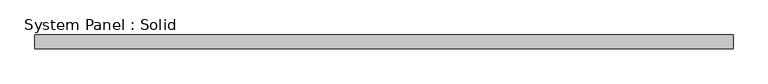
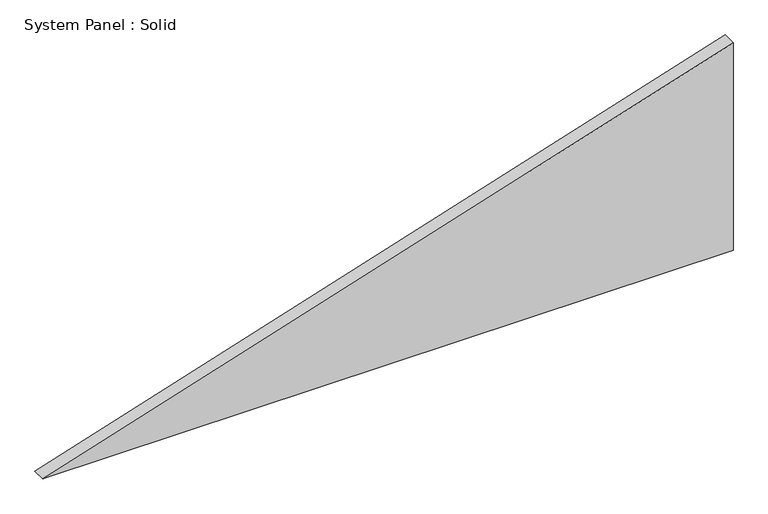
"""IFC4 building model written with IfcOpenShell, lengths in millimetres: plate geometry, System Panel : Solid."""

import ifcopenshell
import ifcopenshell.guid

model = None  # the IFC model being written
_history = None  # IfcOwnerHistory: only IFC2X3 demands one
_inside = {}  # id of a spatial element -> (the spatial element, [elements in it])
_under = {}  # id of a project, library or spatial element -> (it, [spatial elements below it])
_declared = {}  # id of a project -> (the project, [libraries it declares])
_typed = {}  # id of a type object -> (the type object, [elements of that type])
_made_of = {}  # id of a material, layer set ... -> (it, [elements and type objects made of it])


def new_model(schema):
    """Start an empty IFC model of exactly this schema.

    Asked for "IFC4X3", IfcOpenShell would pick the latest addendum, in which some entities
    have other attributes; the version numbers below select the first issue.
    IFC2X3 requires an IfcOwnerHistory on every rooted entity: one is made here for all.
    """
    global model, _history
    if schema == "IFC4X3":
        model = ifcopenshell.file(schema_version=(4, 3, 0, 0))
    else:
        model = ifcopenshell.file(schema=schema)
    _inside.clear()
    _under.clear()
    _declared.clear()
    _typed.clear()
    _made_of.clear()
    _history = None
    if model.schema == "IFC2X3":
        org = make("IfcOrganization", Name="unknown")
        user = make(
            "IfcPersonAndOrganization",
            ThePerson=make("IfcPerson", FamilyName="unknown"),
            TheOrganization=org,
        )
        app = make(
            "IfcApplication",
            ApplicationDeveloper=org,
            Version="unknown",
            ApplicationFullName="unknown",
            ApplicationIdentifier="unknown",
        )
        _history = make(
            "IfcOwnerHistory",
            OwningUser=user,
            OwningApplication=app,
            ChangeAction="ADDED",
            CreationDate=0,
        )
    return model


def make(cls, **values):
    """One entity of the class cls with the attributes given. An attribute that is None is left unset."""
    return model.create_entity(
        cls, **{name: value for name, value in values.items() if value is not None}
    )


def rooted(cls, **values):
    """An entity with a GlobalId (a new one), such as an element, a storey or a relation."""
    return make(cls, GlobalId=ifcopenshell.guid.new(), OwnerHistory=_history, **values)


def si_unit(unit_type, name, prefix=None):
    """IfcSIUnit, for example si_unit("LENGTHUNIT", "METRE", prefix="MILLI")."""
    return make("IfcSIUnit", UnitType=unit_type, Prefix=prefix, Name=name)


def assignment(units):
    """IfcUnitAssignment: the units of a project."""
    return None if units is None else make("IfcUnitAssignment", Units=units)


def point(xyz):
    """IfcCartesianPoint."""
    return None if xyz is None else make("IfcCartesianPoint", Coordinates=xyz)


def direction(xyz):
    """IfcDirection."""
    return None if xyz is None else make("IfcDirection", DirectionRatios=xyz)


def frame(location, z_axis=None, x_axis=None):
    """IfcAxis2Placement3D, a coordinate frame: its origin and axes. An axis left out is left unset."""
    return make(
        "IfcAxis2Placement3D",
        Location=point(location),
        Axis=direction(z_axis),
        RefDirection=direction(x_axis),
    )


def origin():
    """The frame at (0, 0, 0) with its axes left unset."""
    return frame((0.0, 0.0, 0.0))


def place(relative_to, where):
    """IfcLocalPlacement: puts the frame where relative to a parent placement (None: the world)."""
    return make(
        "IfcLocalPlacement", PlacementRelTo=relative_to, RelativePlacement=where
    )


def context(
    kind, dimensions, precision=None, world=None, true_north=None, identifier=None
):
    """IfcGeometricRepresentationContext, for example the 3D "Model" context."""
    return make(
        "IfcGeometricRepresentationContext",
        ContextIdentifier=identifier,
        ContextType=kind,
        CoordinateSpaceDimension=dimensions,
        Precision=precision,
        WorldCoordinateSystem=world,
        TrueNorth=true_north,
    )


def project(units=None, contexts=None):
    """IfcProject with its units and contexts."""
    return rooted(
        "IfcProject",
        Name="project",
        RepresentationContexts=contexts,
        UnitsInContext=assignment(units),
    )


def spatial(cls, under=None, at=None, **own):
    """A site, building, storey or space (cls), placed at a placement, below another one or the project."""
    s = rooted(cls, ObjectPlacement=at, **own)
    if under is not None:
        _under.setdefault(under.id(), (under, []))[1].append(s)
    return s


def polyline(points):
    """IfcPolyline through the points."""
    return make("IfcPolyline", Points=[point(p) for p in points])


def outline(outer, holes=None, kind="AREA"):
    """IfcArbitraryClosedProfileDef: a profile drawn as a closed curve; with holes, ...WithVoids."""
    if holes is None:
        return make("IfcArbitraryClosedProfileDef", ProfileType=kind, OuterCurve=outer)
    return make(
        "IfcArbitraryProfileDefWithVoids",
        ProfileType=kind,
        OuterCurve=outer,
        InnerCurves=holes,
    )


def extrude(swept, where, along, depth):
    """IfcExtrudedAreaSolid: the profile swept, set in the frame where, extruded along a direction by depth."""
    return make(
        "IfcExtrudedAreaSolid",
        SweptArea=swept,
        Position=where,
        ExtrudedDirection=direction(along),
        Depth=depth,
    )


def shape(context_of_items, identifier, shape_type, items):
    """IfcShapeRepresentation: the items that make up one representation, for example the "Body"."""
    return make(
        "IfcShapeRepresentation",
        ContextOfItems=context_of_items,
        RepresentationIdentifier=identifier,
        RepresentationType=shape_type,
        Items=items,
    )


def source(mapping_origin, context_of_items, identifier, shape_type, items):
    """IfcRepresentationMap: a shape defined once, which mapped items show again and again."""
    return make(
        "IfcRepresentationMap",
        MappingOrigin=mapping_origin,
        MappedRepresentation=shape(context_of_items, identifier, shape_type, items),
    )


def transform(
    local_origin,
    x_axis=None,
    y_axis=None,
    z_axis=None,
    scale=None,
    scale2=None,
    scale3=None,
    uniform=True,
):
    """IfcCartesianTransformationOperator3D, or its non-uniform kind. x_axis, y_axis, z_axis: its Axis1, 2, 3."""
    if uniform:
        return make(
            "IfcCartesianTransformationOperator3D",
            Axis1=direction(x_axis),
            Axis2=direction(y_axis),
            LocalOrigin=point(local_origin),
            Scale=scale,
            Axis3=direction(z_axis),
        )
    return make(
        "IfcCartesianTransformationOperator3DnonUniform",
        Axis1=direction(x_axis),
        Axis2=direction(y_axis),
        LocalOrigin=point(local_origin),
        Scale=scale,
        Axis3=direction(z_axis),
        Scale2=scale2,
        Scale3=scale3,
    )


def mapped(mapping_source, mapping_target):
    """IfcMappedItem: shows the shape of a source again, moved by a transform."""
    return make(
        "IfcMappedItem", MappingSource=mapping_source, MappingTarget=mapping_target
    )


def made_of(thing, what):
    """Note that an element or type object is made of a material, layer set ...; save() writes the relation."""
    if what is not None:
        _made_of.setdefault(what.id(), (what, []))[1].append(thing)
    return thing


def element(
    cls,
    number,
    at=None,
    inside=None,
    cuts=None,
    type_object=None,
    material=None,
    context=None,
    identifier="Body",
    shape_type=None,
    held_by="IfcProductDefinitionShape",
    body=None,
    shapes=None,
    **own,
):
    """One element of the class cls, such as IfcWall. Its Tag is "e" and its number.

    at: its placement. inside: the storey or other place that contains it. cuts: it is an
    opening in that element (IfcRelVoidsElement). A single representation is given by context,
    identifier, shape_type and body (its items); several are given by shapes. held_by: the class
    of the entity that holds the representations. save() writes the other relations.
    """
    e = rooted(cls, Tag="e%d" % number, ObjectPlacement=at, **own)
    if body is not None:
        shapes = [shape(context, identifier, shape_type, body)]
    if shapes is not None:
        e.Representation = make(held_by, Representations=shapes)
    if inside is not None:
        _inside.setdefault(inside.id(), (inside, []))[1].append(e)
    if cuts is not None:
        rooted(
            "IfcRelVoidsElement", RelatingBuildingElement=cuts, RelatedOpeningElement=e
        )
    if type_object is not None:
        _typed.setdefault(type_object.id(), (type_object, []))[1].append(e)
    return made_of(e, material)


def aggregate(whole, parts):
    """IfcRelAggregates: a whole, such as a stair, and the parts it consists of."""
    return rooted("IfcRelAggregates", RelatingObject=whole, RelatedObjects=parts)


def save(model, path):
    """Write the relations noted so far, then the file.

    IfcRelAggregates (storeys below a building ...), IfcRelContainedInSpatialStructure (elements
    in a storey), IfcRelDefinesByType, IfcRelAssociatesMaterial and IfcRelDeclares: one each for
    every whole, place, type object, material and project.
    """
    for whole, parts in _under.values():
        aggregate(whole, parts)
    for where, things in _inside.values():
        rooted(
            "IfcRelContainedInSpatialStructure",
            RelatedElements=things,
            RelatingStructure=where,
        )
    for kind, things in _typed.values():
        rooted("IfcRelDefinesByType", RelatedObjects=things, RelatingType=kind)
    for what, things in _made_of.values():
        rooted("IfcRelAssociatesMaterial", RelatedObjects=things, RelatingMaterial=what)
    for by, libraries in _declared.values():
        rooted("IfcRelDeclares", RelatingContext=by, RelatedDefinitions=libraries)
    model.write(path)


def system_panel_solid_039e5d67(model_context):
    return source(origin(), model_context, "Body", "SweptSolid", [
        extrude(outline(polyline([(0.0, -1500.0000002), (0.0, 1500.0000002), (953.6412424, 1500.0000002), (0.0, -1500.0000002)])), frame((0.0, -10.5, 0.0), z_axis=(0.0, 1.0, 0.0), x_axis=(0.0, 0.0, 1.0)), (0.0, 0.0, 1.0), 60.0),
    ])


if __name__ == "__main__":
    model = new_model("IFC4")
    model_context = context("Model", 3, world=origin())
    ifc_project = project(units=[si_unit("LENGTHUNIT", "METRE", prefix="MILLI")], contexts=[model_context])
    site = spatial("IfcSite", under=ifc_project)
    building = spatial("IfcBuilding", under=site)
    placement = place(None, origin())
    system_panel_solid_shape = system_panel_solid_039e5d67(model_context)
    element("IfcPlate", 1, ObjectType="System Panel : Solid", at=placement, inside=building, context=model_context, shape_type="MappedRepresentation", body=[
        mapped(system_panel_solid_shape, transform((0.0, 0.0, 0.0), x_axis=(1.0, 0.0, 0.0), y_axis=(0.0, 1.0, 0.0), z_axis=(0.0, 0.0, 1.0))),
    ])
    save(model, "model.ifc")
